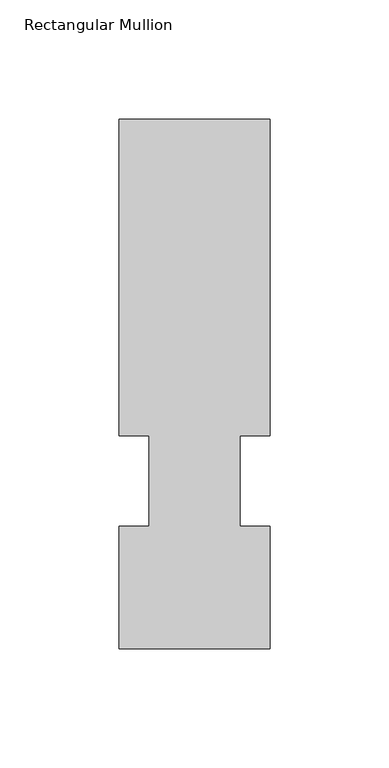
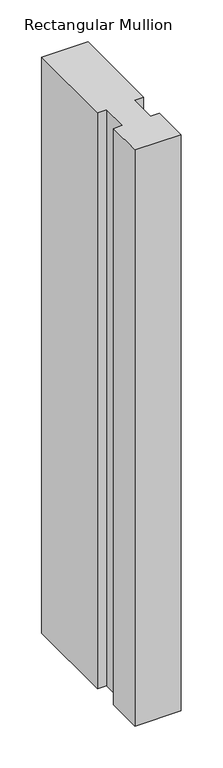
"""IFC4 building model written with IfcOpenShell, lengths in millimetres: member geometry, Rectangular Mullion."""

from ifc_helpers import new_model, si_unit, frame, origin, place, context, project, spatial, polyline, outline, extrude, source, transform, mapped, element, save


def rectangular_mullion_cf2906bc(model_context):
    return source(origin(), model_context, "Body", "SweptSolid", [
        extrude(outline(polyline([(31.75, 222.5381313), (31.75, 89.5945312), (19.05, 89.5945313), (19.05, 51.4945313), (31.75, 51.4945313), (31.75, 0.2119313), (-31.75, 0.2119313), (-31.75, 51.4945313), (-19.05, 51.4945313), (-19.05, 89.5945313), (-31.7500006, 89.5945313), (-31.7500006, 222.5381313), (31.75, 222.5381313)])), frame((0.0, 0.0, -838.2), z_axis=(0.0, 0.0, 1.0), x_axis=(1.0, 0.0, 0.0)), (0.0, 0.0, 1.0), 838.2),
    ])


if __name__ == "__main__":
    model = new_model("IFC4")
    model_context = context("Model", 3, world=origin())
    ifc_project = project(units=[si_unit("LENGTHUNIT", "METRE", prefix="MILLI")], contexts=[model_context])
    site = spatial("IfcSite", under=ifc_project)
    building = spatial("IfcBuilding", under=site)
    placement = place(None, origin())
    rectangular_mullion_shape = rectangular_mullion_cf2906bc(model_context)
    element("IfcMember", 1, ObjectType="Rectangular Mullion", at=placement, inside=building, context=model_context, shape_type="MappedRepresentation", body=[
        mapped(rectangular_mullion_shape, transform((0.0, 0.0, 0.0), x_axis=(1.0, 0.0, 0.0), y_axis=(0.0, 1.0, 0.0), z_axis=(0.0, 0.0, 1.0))),
    ])
    save(model, "model.ifc")
